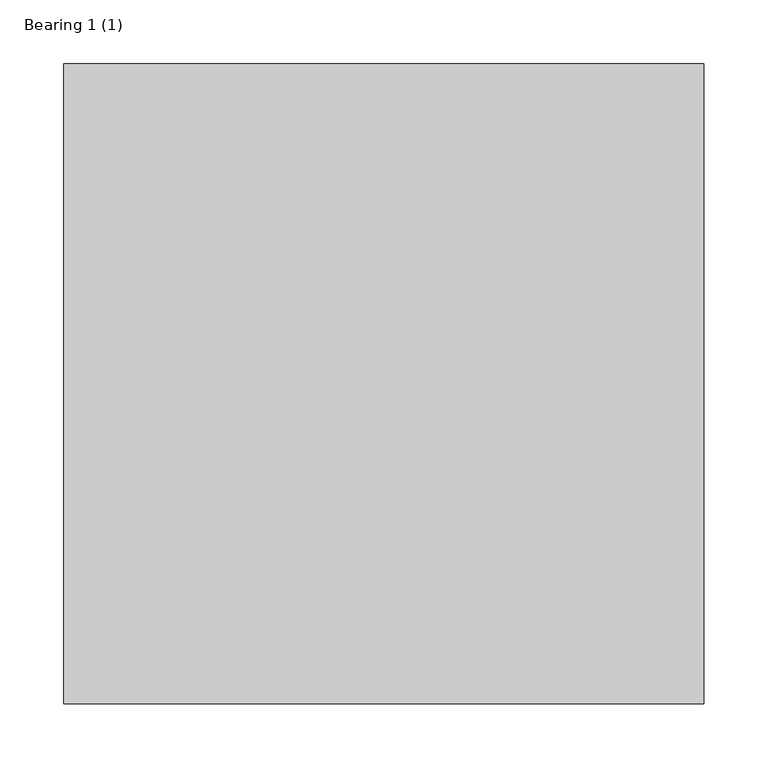
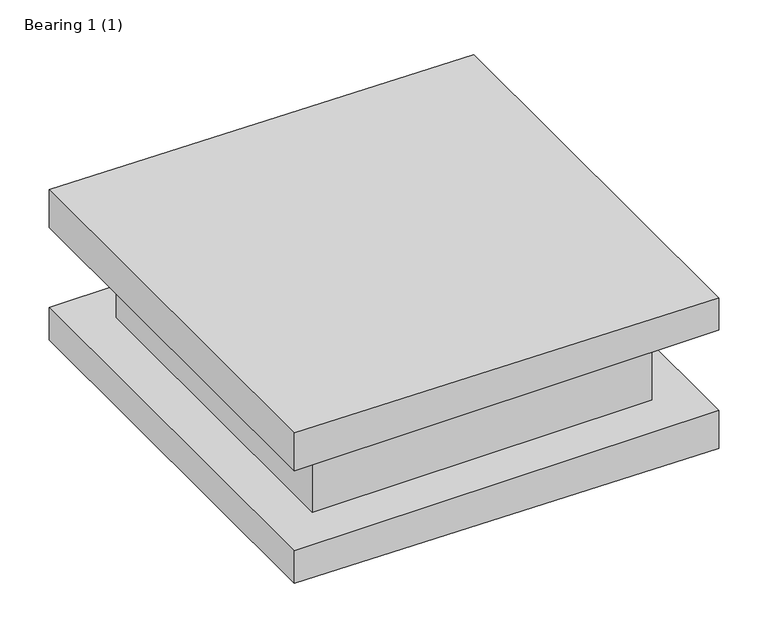
"""IFC4 building model written with IfcOpenShell, lengths in millimetres: proxy geometry, Bearing 1 (1)."""

from ifc_helpers import new_model, si_unit, frame, origin, place, context, project, spatial, polyline, outline, extrude, source, transform, mapped, element, save


def bearing_1_1_d2e2a10b(model_context):
    return source(origin(), model_context, "Body", "SweptSolid", [
        extrude(outline(polyline([(143.5476198, -250.0), (143.5476198, 250.0), (183.5476198, 250.0), (190.6428594, -250.0), (143.5476198, -250.0)])), frame((0.0, -250.0, 0.0), z_axis=(0.0, 1.0, 0.0), x_axis=(0.0, 0.0, 1.0)), (0.0, 0.0, 1.0), 500.0),
        extrude(outline(polyline([(3.5476198, -250.0), (-3.5476198, 250.0), (43.5476198, 250.0), (43.5476198, -250.0), (3.5476198, -250.0)])), frame((0.0, -250.0, 0.0), z_axis=(0.0, 1.0, 0.0), x_axis=(0.0, 0.0, 1.0)), (0.0, 0.0, 1.0), 500.0),
        extrude(outline(polyline([(200.0, -200.0), (-200.0, -200.0), (-200.0, 200.0), (200.0, 200.0), (200.0, -200.0)])), frame((0.0, 0.0, 43.5476198), z_axis=(0.0, 0.0, 1.0), x_axis=(1.0, 0.0, 0.0)), (0.0, 0.0, 1.0), 100.0),
    ])


if __name__ == "__main__":
    model = new_model("IFC4")
    model_context = context("Model", 3, world=origin())
    ifc_project = project(units=[si_unit("LENGTHUNIT", "METRE", prefix="MILLI")], contexts=[model_context])
    site = spatial("IfcSite", under=ifc_project)
    building = spatial("IfcBuilding", under=site)
    placement = place(None, origin())
    bearing_1_1_shape = bearing_1_1_d2e2a10b(model_context)
    element("IfcBuildingElementProxy", 1, Name="Bearing 1 (1)", ObjectType="Bearing 1 (1)", at=placement, inside=building, context=model_context, shape_type="MappedRepresentation", body=[
        mapped(bearing_1_1_shape, transform((0.0, 0.0, 0.0), x_axis=(1.0, 0.0, 0.0), y_axis=(0.0, 1.0, 0.0), z_axis=(0.0, 0.0, 1.0))),
    ])
    save(model, "model.ifc")
